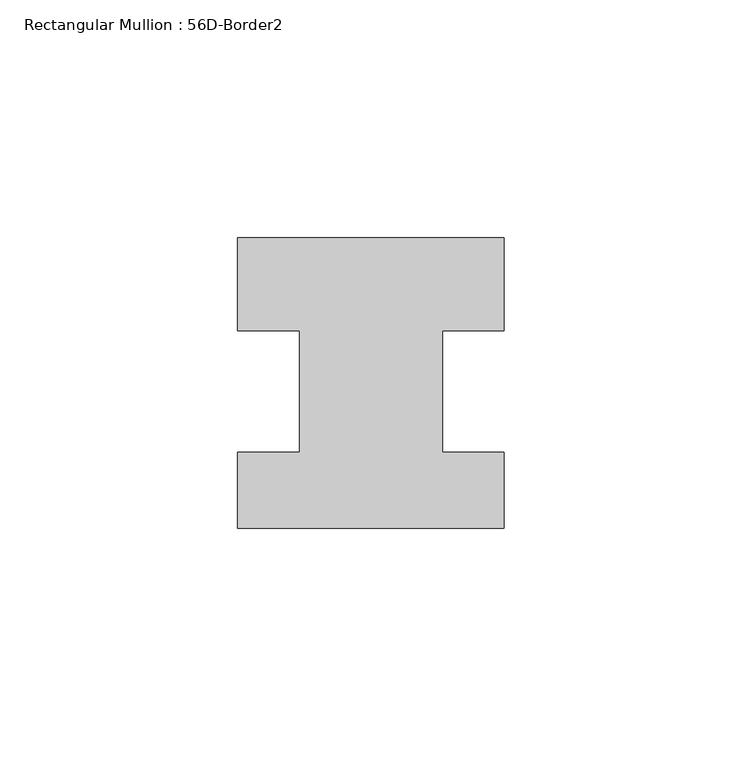
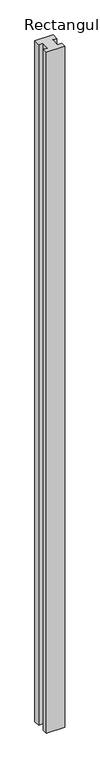
"""IFC4 building model written with IfcOpenShell, lengths in millimetres: member geometry, Rectangular Mullion : 56D-Border2."""

from ifc_helpers import new_model, si_unit, frame, origin, place, context, project, spatial, polyline, outline, extrude, source, transform, mapped, element, save


def rectangular_mullion_56d_border2_40af7f3b(model_context):
    return source(origin(), model_context, "Body", "SweptSolid", [
        extrude(outline(polyline([(0.0, 20.0), (0.0, 0.5), (-13.0, 0.5), (-13.0, -25.0), (0.0, -25.0), (0.0, -41.0), (-56.0, -41.0), (-56.0, -25.0), (-43.0, -25.0), (-43.0, 0.5), (-56.0, 0.5), (-56.0, 20.0), (0.0, 20.0)])), frame((0.0, 0.0, -2200.0), z_axis=(0.0, 0.0, 1.0), x_axis=(1.0, 0.0, 0.0)), (0.0, 0.0, 1.0), 2200.0),
    ])


if __name__ == "__main__":
    model = new_model("IFC4")
    model_context = context("Model", 3, world=origin())
    ifc_project = project(units=[si_unit("LENGTHUNIT", "METRE", prefix="MILLI")], contexts=[model_context])
    site = spatial("IfcSite", under=ifc_project)
    building = spatial("IfcBuilding", under=site)
    placement = place(None, origin())
    rectangular_mullion_56d_border2_shape = rectangular_mullion_56d_border2_40af7f3b(model_context)
    element("IfcMember", 1, ObjectType="Rectangular Mullion : 56D-Border2", at=placement, inside=building, context=model_context, shape_type="MappedRepresentation", body=[
        mapped(rectangular_mullion_56d_border2_shape, transform((0.0, 0.0, 0.0), x_axis=(1.0, 0.0, 0.0), y_axis=(0.0, 1.0, 0.0), z_axis=(0.0, 0.0, 1.0))),
    ])
    save(model, "model.ifc")
